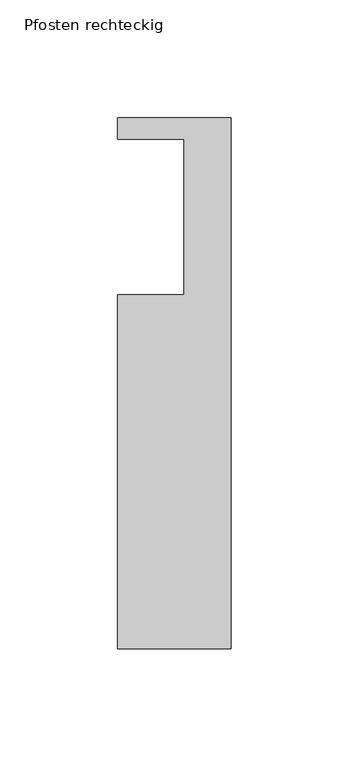
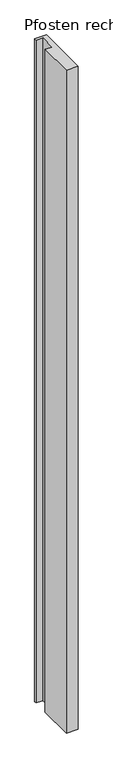
"""IFC4 building model written with IfcOpenShell, lengths in millimetres: member geometry, Pfosten rechteckig."""

from ifc_helpers import new_model, si_unit, frame, origin, place, context, project, spatial, polyline, outline, extrude, source, transform, mapped, element, save


def pfosten_rechteckig_e31c75be(model_context):
    return source(origin(), model_context, "Body", "SweptSolid", [
        extrude(outline(polyline([(0.0, 9.0), (0.0, -216.0), (-48.0, -216.0), (-48.0, -66.0), (-20.0, -66.0), (-20.0, 0.0), (-48.0, 0.0), (-48.0, 9.0), (0.0, 9.0)])), frame((0.0, 0.0, -2870.0), z_axis=(0.0, 0.0, 1.0), x_axis=(1.0, 0.0, 0.0)), (0.0, 0.0, 1.0), 2870.0),
    ])


if __name__ == "__main__":
    model = new_model("IFC4")
    model_context = context("Model", 3, world=origin())
    ifc_project = project(units=[si_unit("LENGTHUNIT", "METRE", prefix="MILLI")], contexts=[model_context])
    site = spatial("IfcSite", under=ifc_project)
    building = spatial("IfcBuilding", under=site)
    placement = place(None, origin())
    pfosten_rechteckig_shape = pfosten_rechteckig_e31c75be(model_context)
    element("IfcMember", 1, ObjectType="Pfosten rechteckig", at=placement, inside=building, context=model_context, shape_type="MappedRepresentation", body=[
        mapped(pfosten_rechteckig_shape, transform((0.0, 0.0, 0.0), x_axis=(1.0, 0.0, 0.0), y_axis=(0.0, 1.0, 0.0), z_axis=(0.0, 0.0, 1.0))),
    ])
    save(model, "model.ifc")
